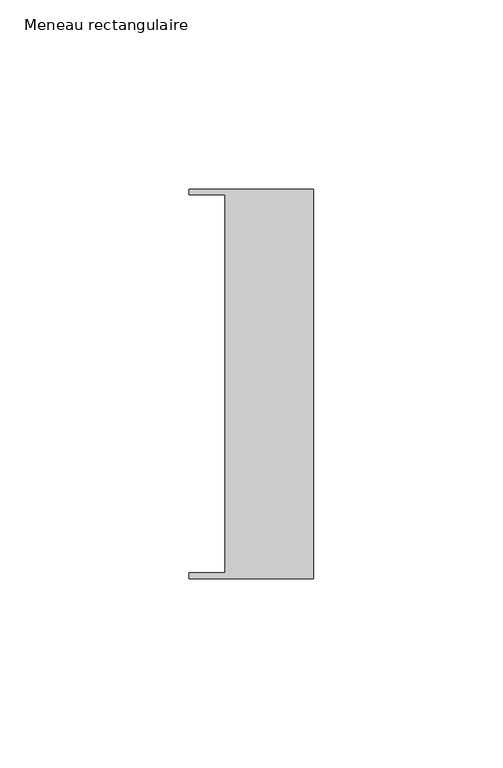
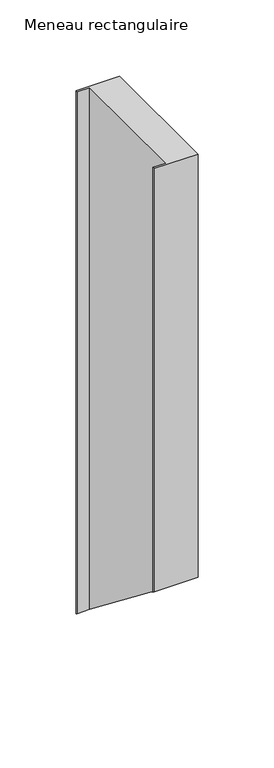
"""IFC4 building model written with IfcOpenShell, lengths in millimetres: member geometry, Meneau rectangulaire."""

from ifc_helpers import new_model, si_unit, origin, place, context, project, spatial, faceted_brep, source, transform, mapped, element, save


def meneau_rectangulaire_52a8a551(model_context):
    return source(origin(), model_context, "Body", "Brep", [
        faceted_brep([(-33.0, 51.4622428, 0.0), (-33.0, 49.9614402, 0.0), (-23.4, 49.9614402, 0.0), (-23.4, -49.9505712, 0.0), (-33.0, -49.9505712, 0.0), (-33.0, -51.4712299, 0.0), (0.0, -51.4712299, 0.0), (0.0, 51.4622428, 0.0), (-23.4, 49.9614402, -418.4172785), (-23.4, -49.9505712, -340.5139592), (-33.0, -51.4712299, -339.3282723), (0.0, -51.4712299, -339.3282723), (0.0, 51.4622428, -419.5874832), (-33.0, 51.4622428, -419.5874832), (-33.0, -49.9505712, -340.5139592), (-33.0, 49.9614402, -418.4172785)], [[[0, 1, 2, 3, 4, 5, 6, 7]], [[3, 2, 8, 9]], [[6, 5, 10, 11]], [[7, 6, 11, 12]], [[0, 7, 12, 13]], [[13, 12, 11, 10, 14, 9, 8, 15]], [[1, 0, 13, 15]], [[2, 1, 15, 8]], [[4, 3, 9, 14]], [[5, 4, 14, 10]]]),
    ])


if __name__ == "__main__":
    model = new_model("IFC4")
    model_context = context("Model", 3, world=origin())
    ifc_project = project(units=[si_unit("LENGTHUNIT", "METRE", prefix="MILLI")], contexts=[model_context])
    site = spatial("IfcSite", under=ifc_project)
    building = spatial("IfcBuilding", under=site)
    placement = place(None, origin())
    meneau_rectangulaire_shape = meneau_rectangulaire_52a8a551(model_context)
    element("IfcMember", 1, ObjectType="Meneau rectangulaire", at=placement, inside=building, context=model_context, shape_type="MappedRepresentation", body=[
        mapped(meneau_rectangulaire_shape, transform((0.0, 0.0, 0.0), x_axis=(1.0, 0.0, 0.0), y_axis=(0.0, 1.0, 0.0), z_axis=(0.0, 0.0, 1.0))),
    ])
    save(model, "model.ifc")
